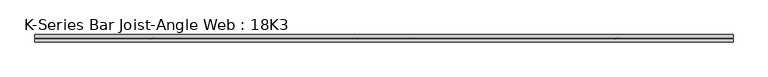
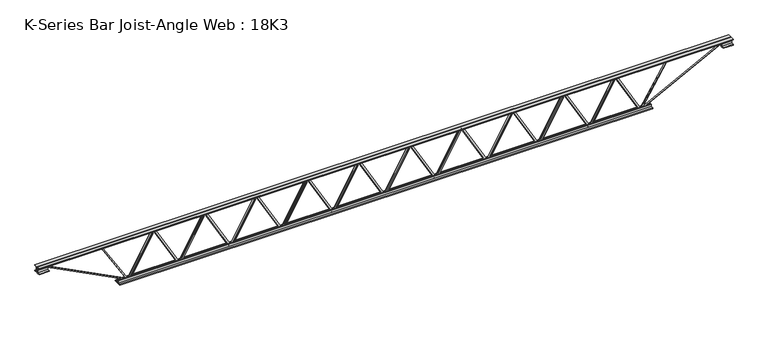
"""IFC4 building model written with IfcOpenShell, lengths in millimetres: beam geometry, K-Series Bar Joist-Angle Web : 18K3."""

from ifc_helpers import new_model, si_unit, frame, origin, place, context, project, spatial, polyline, outline, extrude, faceted_brep, source, transform, mapped, element, save


def k_series_bar_joist_angle_web_18k3_46d95f30(model_context):
    return source(origin(), model_context, "Body", "SolidModel", [
        extrude(outline(polyline([(-4.7625, 4.7625), (-4.7625, 0.0), (-17.4625, 0.0), (-17.4625, 4.7625), (-4.7625, 4.7625)])), frame((2040.8305985, 0.0, -190.5), z_axis=(-0.495588621390608, 0.0, 0.8685573776948513), x_axis=(0.0, -1.0, 0.0)), (0.0, 0.0, 1.0), 438.658412),
        extrude(outline(polyline([(-225.425, 2072.64), (-206.375, 2072.64), (-206.375, 2071.8216074), (225.425, 1825.4416074), (225.425, 1807.21), (206.375, 1807.21), (206.375, 1814.3783926), (-225.425, 2060.7583926), (-225.425, 2072.64)])), frame((0.0, 0.0, 0.0), z_axis=(0.0, 1.0, 0.0), x_axis=(0.0, 0.0, 1.0)), (0.0, 0.0, 1.0), 4.7625),
        faceted_brep([(1554.48, 0.0, -206.375), (1554.48, 0.0, -225.425), (1554.48, -4.7625, -225.425), (1554.48, -4.7625, -206.375), (1555.2983926, 0.0, -206.375), (1801.6783926, 0.0, 225.425), (1819.91, 0.0, 225.425), (1819.91, 0.0, 206.375), (1812.7416074, 0.0, 206.375), (1566.3616074, 0.0, -225.425), (1566.3616074, -4.7625, -225.425), (1586.2894015, -4.7625, -190.5), (1582.152897, -4.7625, -188.1397592), (1799.5470146, -4.7625, 192.8602408), (1803.6835191, -4.7625, 190.5), (1812.7416074, -4.7625, 206.375), (1819.91, -4.7625, 206.375), (1819.91, -4.7625, 225.425), (1801.6783926, -4.7625, 225.425), (1555.2983926, -4.7625, -206.375), (1803.6835191, -17.4625, 190.5), (1586.2894015, -17.4625, -190.5), (1582.152897, -17.4625, -188.1397592), (1799.5470146, -17.4625, 192.8602408)], [[[0, 1, 2, 3]], [[1, 0, 4, 5, 6, 7, 8, 9]], [[2, 1, 9, 10]], [[3, 2, 10, 11, 12, 13, 14, 15, 16, 17, 18, 19]], [[0, 3, 19, 4]], [[9, 8, 15, 14, 20, 21, 11, 10]], [[5, 4, 19, 18]], [[7, 6, 17, 16]], [[8, 7, 16, 15]], [[6, 5, 18, 17]], [[21, 22, 12, 11]], [[20, 14, 13, 23]], [[22, 21, 20, 23]], [[12, 22, 23, 13]]]),
        extrude(outline(polyline([(-4.7625, 4.7625), (-4.7625, 0.0), (-17.4625, 0.0), (-17.4625, 4.7625), (-4.7625, 4.7625)])), frame((1522.6705985, 0.0, -190.5), z_axis=(-0.495588621390608, 0.0, 0.8685573776948513), x_axis=(0.0, -1.0, 0.0)), (0.0, 0.0, 1.0), 438.658412),
        extrude(outline(polyline([(-225.425, 1554.48), (-206.375, 1554.48), (-206.375, 1553.6616074), (225.425, 1307.2816074), (225.425, 1289.05), (206.375, 1289.05), (206.375, 1296.2183926), (-225.425, 1542.5983926), (-225.425, 1554.48)])), frame((0.0, 0.0, 0.0), z_axis=(0.0, 1.0, 0.0), x_axis=(0.0, 0.0, 1.0)), (0.0, 0.0, 1.0), 4.7625),
        faceted_brep([(1036.32, 0.0, -206.375), (1036.32, 0.0, -225.425), (1036.32, -4.7625, -225.425), (1036.32, -4.7625, -206.375), (1037.1383926, 0.0, -206.375), (1283.5183926, 0.0, 225.425), (1301.75, 0.0, 225.425), (1301.75, 0.0, 206.375), (1294.5816074, 0.0, 206.375), (1048.2016074, 0.0, -225.425), (1048.2016074, -4.7625, -225.425), (1068.1294015, -4.7625, -190.5), (1063.992897, -4.7625, -188.1397592), (1281.3870146, -4.7625, 192.8602408), (1285.5235191, -4.7625, 190.5), (1294.5816074, -4.7625, 206.375), (1301.75, -4.7625, 206.375), (1301.75, -4.7625, 225.425), (1283.5183926, -4.7625, 225.425), (1037.1383926, -4.7625, -206.375), (1285.5235191, -17.4625, 190.5), (1068.1294015, -17.4625, -190.5), (1063.992897, -17.4625, -188.1397592), (1281.3870146, -17.4625, 192.8602408)], [[[0, 1, 2, 3]], [[1, 0, 4, 5, 6, 7, 8, 9]], [[2, 1, 9, 10]], [[3, 2, 10, 11, 12, 13, 14, 15, 16, 17, 18, 19]], [[0, 3, 19, 4]], [[9, 8, 15, 14, 20, 21, 11, 10]], [[5, 4, 19, 18]], [[7, 6, 17, 16]], [[8, 7, 16, 15]], [[6, 5, 18, 17]], [[21, 22, 12, 11]], [[20, 14, 13, 23]], [[22, 21, 20, 23]], [[12, 22, 23, 13]]]),
        extrude(outline(polyline([(-4.7625, 4.7625), (-4.7625, 0.0), (-17.4625, 0.0), (-17.4625, 4.7625), (-4.7625, 4.7625)])), frame((1004.5105985, 0.0, -190.5), z_axis=(-0.495588621390608, 0.0, 0.8685573776948513), x_axis=(0.0, -1.0, 0.0)), (0.0, 0.0, 1.0), 438.658412),
        extrude(outline(polyline([(-225.425, 1036.32), (-206.375, 1036.32), (-206.375, 1035.5016074), (225.425, 789.1216074), (225.425, 770.89), (206.375, 770.89), (206.375, 778.0583926), (-225.425, 1024.4383926), (-225.425, 1036.32)])), frame((0.0, 0.0, 0.0), z_axis=(0.0, 1.0, 0.0), x_axis=(0.0, 0.0, 1.0)), (0.0, 0.0, 1.0), 4.7625),
        faceted_brep([(518.16, 0.0, -206.375), (518.16, 0.0, -225.425), (518.16, -4.7625, -225.425), (518.16, -4.7625, -206.375), (518.9783926, 0.0, -206.375), (765.3583926, 0.0, 225.425), (783.59, 0.0, 225.425), (783.59, 0.0, 206.375), (776.4216074, 0.0, 206.375), (530.0416074, 0.0, -225.425), (530.0416074, -4.7625, -225.425), (549.9694015, -4.7625, -190.5), (545.832897, -4.7625, -188.1397592), (763.2270146, -4.7625, 192.8602408), (767.3635191, -4.7625, 190.5), (776.4216074, -4.7625, 206.375), (783.59, -4.7625, 206.375), (783.59, -4.7625, 225.425), (765.3583926, -4.7625, 225.425), (518.9783926, -4.7625, -206.375), (767.3635191, -17.4625, 190.5), (549.9694015, -17.4625, -190.5), (545.832897, -17.4625, -188.1397592), (763.2270146, -17.4625, 192.8602408)], [[[0, 1, 2, 3]], [[1, 0, 4, 5, 6, 7, 8, 9]], [[2, 1, 9, 10]], [[3, 2, 10, 11, 12, 13, 14, 15, 16, 17, 18, 19]], [[0, 3, 19, 4]], [[9, 8, 15, 14, 20, 21, 11, 10]], [[5, 4, 19, 18]], [[7, 6, 17, 16]], [[8, 7, 16, 15]], [[6, 5, 18, 17]], [[21, 22, 12, 11]], [[20, 14, 13, 23]], [[22, 21, 20, 23]], [[12, 22, 23, 13]]]),
        extrude(outline(polyline([(-4.7625, 4.7625), (-4.7625, 0.0), (-17.4625, 0.0), (-17.4625, 4.7625), (-4.7625, 4.7625)])), frame((486.3505985, 0.0, -190.5), z_axis=(-0.495588621390608, 0.0, 0.8685573776948513), x_axis=(0.0, -1.0, 0.0)), (0.0, 0.0, 1.0), 438.658412),
        extrude(outline(polyline([(-225.425, 518.16), (-206.375, 518.16), (-206.375, 517.3416074), (225.425, 270.9616074), (225.425, 252.73), (206.375, 252.73), (206.375, 259.8983926), (-225.425, 506.2783926), (-225.425, 518.16)])), frame((0.0, 0.0, 0.0), z_axis=(0.0, 1.0, 0.0), x_axis=(0.0, 0.0, 1.0)), (0.0, 0.0, 1.0), 4.7625),
        faceted_brep([(0.0, 0.0, -206.375), (0.0, 0.0, -225.425), (0.0, -4.7625, -225.425), (0.0, -4.7625, -206.375), (0.8183926, 0.0, -206.375), (247.1983926, 0.0, 225.425), (265.43, 0.0, 225.425), (265.43, 0.0, 206.375), (258.2616074, 0.0, 206.375), (11.8816074, 0.0, -225.425), (11.8816074, -4.7625, -225.425), (31.8094015, -4.7625, -190.5), (27.672897, -4.7625, -188.1397592), (245.0670146, -4.7625, 192.8602408), (249.2035191, -4.7625, 190.5), (258.2616074, -4.7625, 206.375), (265.43, -4.7625, 206.375), (265.43, -4.7625, 225.425), (247.1983926, -4.7625, 225.425), (0.8183926, -4.7625, -206.375), (249.2035191, -17.4625, 190.5), (31.8094015, -17.4625, -190.5), (27.672897, -17.4625, -188.1397592), (245.0670146, -17.4625, 192.8602408)], [[[0, 1, 2, 3]], [[1, 0, 4, 5, 6, 7, 8, 9]], [[2, 1, 9, 10]], [[3, 2, 10, 11, 12, 13, 14, 15, 16, 17, 18, 19]], [[0, 3, 19, 4]], [[9, 8, 15, 14, 20, 21, 11, 10]], [[5, 4, 19, 18]], [[7, 6, 17, 16]], [[8, 7, 16, 15]], [[6, 5, 18, 17]], [[21, 22, 12, 11]], [[20, 14, 13, 23]], [[22, 21, 20, 23]], [[12, 22, 23, 13]]]),
        extrude(outline(polyline([(-4.7625, 4.7625), (-4.7625, 0.0), (-17.4625, 0.0), (-17.4625, 4.7625), (-4.7625, 4.7625)])), frame((-31.8094015, 0.0, -190.5), z_axis=(-0.495588621390608, 0.0, 0.8685573776948513), x_axis=(0.0, -1.0, 0.0)), (0.0, 0.0, 1.0), 438.658412),
        extrude(outline(polyline([(-225.425, 0.0), (-206.375, 0.0), (-206.375, -0.8183926), (225.425, -247.1983926), (225.425, -265.43), (206.375, -265.43), (206.375, -258.2616074), (-225.425, -11.8816074), (-225.425, 0.0)])), frame((0.0, 0.0, 0.0), z_axis=(0.0, 1.0, 0.0), x_axis=(0.0, 0.0, 1.0)), (0.0, 0.0, 1.0), 4.7625),
        faceted_brep([(-518.16, 0.0, -206.375), (-518.16, 0.0, -225.425), (-518.16, -4.7625, -225.425), (-518.16, -4.7625, -206.375), (-517.3416074, 0.0, -206.375), (-270.9616074, 0.0, 225.425), (-252.73, 0.0, 225.425), (-252.73, 0.0, 206.375), (-259.8983926, 0.0, 206.375), (-506.2783926, 0.0, -225.425), (-506.2783926, -4.7625, -225.425), (-486.3505985, -4.7625, -190.5), (-490.487103, -4.7625, -188.1397592), (-273.0929854, -4.7625, 192.8602408), (-268.9564809, -4.7625, 190.5), (-259.8983926, -4.7625, 206.375), (-252.73, -4.7625, 206.375), (-252.73, -4.7625, 225.425), (-270.9616074, -4.7625, 225.425), (-517.3416074, -4.7625, -206.375), (-268.9564809, -17.4625, 190.5), (-486.3505985, -17.4625, -190.5), (-490.487103, -17.4625, -188.1397592), (-273.0929854, -17.4625, 192.8602408)], [[[0, 1, 2, 3]], [[1, 0, 4, 5, 6, 7, 8, 9]], [[2, 1, 9, 10]], [[3, 2, 10, 11, 12, 13, 14, 15, 16, 17, 18, 19]], [[0, 3, 19, 4]], [[9, 8, 15, 14, 20, 21, 11, 10]], [[5, 4, 19, 18]], [[7, 6, 17, 16]], [[8, 7, 16, 15]], [[6, 5, 18, 17]], [[21, 22, 12, 11]], [[20, 14, 13, 23]], [[22, 21, 20, 23]], [[12, 22, 23, 13]]]),
        extrude(outline(polyline([(-4.7625, 4.7625), (-4.7625, 0.0), (-17.4625, 0.0), (-17.4625, 4.7625), (-4.7625, 4.7625)])), frame((-549.9694015, 0.0, -190.5), z_axis=(-0.495588621390608, 0.0, 0.8685573776948513), x_axis=(0.0, -1.0, 0.0)), (0.0, 0.0, 1.0), 438.658412),
        extrude(outline(polyline([(-225.425, -518.16), (-206.375, -518.16), (-206.375, -518.9783926), (225.425, -765.3583926), (225.425, -783.59), (206.375, -783.59), (206.375, -776.4216074), (-225.425, -530.0416074), (-225.425, -518.16)])), frame((0.0, 0.0, 0.0), z_axis=(0.0, 1.0, 0.0), x_axis=(0.0, 0.0, 1.0)), (0.0, 0.0, 1.0), 4.7625),
        faceted_brep([(-1036.32, 0.0, -206.375), (-1036.32, 0.0, -225.425), (-1036.32, -4.7625, -225.425), (-1036.32, -4.7625, -206.375), (-1035.5016074, 0.0, -206.375), (-789.1216074, 0.0, 225.425), (-770.89, 0.0, 225.425), (-770.89, 0.0, 206.375), (-778.0583926, 0.0, 206.375), (-1024.4383926, 0.0, -225.425), (-1024.4383926, -4.7625, -225.425), (-1004.5105985, -4.7625, -190.5), (-1008.647103, -4.7625, -188.1397592), (-791.2529854, -4.7625, 192.8602408), (-787.1164809, -4.7625, 190.5), (-778.0583926, -4.7625, 206.375), (-770.89, -4.7625, 206.375), (-770.89, -4.7625, 225.425), (-789.1216074, -4.7625, 225.425), (-1035.5016074, -4.7625, -206.375), (-787.1164809, -17.4625, 190.5), (-1004.5105985, -17.4625, -190.5), (-1008.647103, -17.4625, -188.1397592), (-791.2529854, -17.4625, 192.8602408)], [[[0, 1, 2, 3]], [[1, 0, 4, 5, 6, 7, 8, 9]], [[2, 1, 9, 10]], [[3, 2, 10, 11, 12, 13, 14, 15, 16, 17, 18, 19]], [[0, 3, 19, 4]], [[9, 8, 15, 14, 20, 21, 11, 10]], [[5, 4, 19, 18]], [[7, 6, 17, 16]], [[8, 7, 16, 15]], [[6, 5, 18, 17]], [[21, 22, 12, 11]], [[20, 14, 13, 23]], [[22, 21, 20, 23]], [[12, 22, 23, 13]]]),
        extrude(outline(polyline([(-4.7625, 4.7625), (-4.7625, 0.0), (-17.4625, 0.0), (-17.4625, 4.7625), (-4.7625, 4.7625)])), frame((-1068.1294015, 0.0, -190.5), z_axis=(-0.495588621390608, 0.0, 0.8685573776948513), x_axis=(0.0, -1.0, 0.0)), (0.0, 0.0, 1.0), 438.658412),
        extrude(outline(polyline([(-225.425, -1036.32), (-206.375, -1036.32), (-206.375, -1037.1383926), (225.425, -1283.5183926), (225.425, -1301.75), (206.375, -1301.75), (206.375, -1294.5816074), (-225.425, -1048.2016074), (-225.425, -1036.32)])), frame((0.0, 0.0, 0.0), z_axis=(0.0, 1.0, 0.0), x_axis=(0.0, 0.0, 1.0)), (0.0, 0.0, 1.0), 4.7625),
        faceted_brep([(-1554.48, 0.0, -206.375), (-1554.48, 0.0, -225.425), (-1554.48, -4.7625, -225.425), (-1554.48, -4.7625, -206.375), (-1553.6616074, 0.0, -206.375), (-1307.2816074, 0.0, 225.425), (-1289.05, 0.0, 225.425), (-1289.05, 0.0, 206.375), (-1296.2183926, 0.0, 206.375), (-1542.5983926, 0.0, -225.425), (-1542.5983926, -4.7625, -225.425), (-1522.6705985, -4.7625, -190.5), (-1526.807103, -4.7625, -188.1397592), (-1309.4129854, -4.7625, 192.8602408), (-1305.2764809, -4.7625, 190.5), (-1296.2183926, -4.7625, 206.375), (-1289.05, -4.7625, 206.375), (-1289.05, -4.7625, 225.425), (-1307.2816074, -4.7625, 225.425), (-1553.6616074, -4.7625, -206.375), (-1305.2764809, -17.4625, 190.5), (-1522.6705985, -17.4625, -190.5), (-1526.807103, -17.4625, -188.1397592), (-1309.4129854, -17.4625, 192.8602408)], [[[0, 1, 2, 3]], [[1, 0, 4, 5, 6, 7, 8, 9]], [[2, 1, 9, 10]], [[3, 2, 10, 11, 12, 13, 14, 15, 16, 17, 18, 19]], [[0, 3, 19, 4]], [[9, 8, 15, 14, 20, 21, 11, 10]], [[5, 4, 19, 18]], [[7, 6, 17, 16]], [[8, 7, 16, 15]], [[6, 5, 18, 17]], [[21, 22, 12, 11]], [[20, 14, 13, 23]], [[22, 21, 20, 23]], [[12, 22, 23, 13]]]),
        extrude(outline(polyline([(-4.7625, 4.7625), (-4.7625, 0.0), (-17.4625, 0.0), (-17.4625, 4.7625), (-4.7625, 4.7625)])), frame((-1586.2894015, 0.0, -190.5), z_axis=(-0.495588621390608, 0.0, 0.8685573776948513), x_axis=(0.0, -1.0, 0.0)), (0.0, 0.0, 1.0), 438.658412),
        extrude(outline(polyline([(-225.425, -1554.48), (-206.375, -1554.48), (-206.375, -1555.2983926), (225.425, -1801.6783926), (225.425, -1819.91), (206.375, -1819.91), (206.375, -1812.7416074), (-225.425, -1566.3616074), (-225.425, -1554.48)])), frame((0.0, 0.0, 0.0), z_axis=(0.0, 1.0, 0.0), x_axis=(0.0, 0.0, 1.0)), (0.0, 0.0, 1.0), 4.7625),
        faceted_brep([(-2072.64, 0.0, -206.375), (-2072.64, 0.0, -225.425), (-2072.64, -4.7625, -225.425), (-2072.64, -4.7625, -206.375), (-2071.8216074, 0.0, -206.375), (-1825.4416074, 0.0, 225.425), (-1807.21, 0.0, 225.425), (-1807.21, 0.0, 206.375), (-1814.3783926, 0.0, 206.375), (-2060.7583926, 0.0, -225.425), (-2060.7583926, -4.7625, -225.425), (-2040.8305985, -4.7625, -190.5), (-2044.967103, -4.7625, -188.1397592), (-1827.5729854, -4.7625, 192.8602408), (-1823.4364809, -4.7625, 190.5), (-1814.3783926, -4.7625, 206.375), (-1807.21, -4.7625, 206.375), (-1807.21, -4.7625, 225.425), (-1825.4416074, -4.7625, 225.425), (-2071.8216074, -4.7625, -206.375), (-1823.4364809, -17.4625, 190.5), (-2040.8305985, -17.4625, -190.5), (-2044.967103, -17.4625, -188.1397592), (-1827.5729854, -17.4625, 192.8602408)], [[[0, 1, 2, 3]], [[1, 0, 4, 5, 6, 7, 8, 9]], [[2, 1, 9, 10]], [[3, 2, 10, 11, 12, 13, 14, 15, 16, 17, 18, 19]], [[0, 3, 19, 4]], [[9, 8, 15, 14, 20, 21, 11, 10]], [[5, 4, 19, 18]], [[7, 6, 17, 16]], [[8, 7, 16, 15]], [[6, 5, 18, 17]], [[21, 22, 12, 11]], [[20, 14, 13, 23]], [[22, 21, 20, 23]], [[12, 22, 23, 13]]]),
        extrude(outline(polyline([(-4.7625, 4.7625), (-4.7625, 0.0), (-17.4625, 0.0), (-17.4625, 4.7625), (-4.7625, 4.7625)])), frame((2558.9905985, 0.0, -190.5), z_axis=(-0.495588621390608, 0.0, 0.8685573776948513), x_axis=(0.0, -1.0, 0.0)), (0.0, 0.0, 1.0), 438.658412),
        extrude(outline(polyline([(-225.425, 2590.8), (-206.375, 2590.8), (-206.375, 2589.9816074), (225.425, 2343.6016074), (225.425, 2325.37), (206.375, 2325.37), (206.375, 2332.5383926), (-225.425, 2578.9183926), (-225.425, 2590.8)])), frame((0.0, 0.0, 0.0), z_axis=(0.0, 1.0, 0.0), x_axis=(0.0, 0.0, 1.0)), (0.0, 0.0, 1.0), 4.7625),
        faceted_brep([(2072.64, 0.0, -206.375), (2072.64, 0.0, -225.425), (2072.64, -4.7625, -225.425), (2072.64, -4.7625, -206.375), (2073.4583926, 0.0, -206.375), (2319.8383926, 0.0, 225.425), (2338.07, 0.0, 225.425), (2338.07, 0.0, 206.375), (2330.9016074, 0.0, 206.375), (2084.5216074, 0.0, -225.425), (2084.5216074, -4.7625, -225.425), (2104.4494015, -4.7625, -190.5), (2100.312897, -4.7625, -188.1397592), (2317.7070146, -4.7625, 192.8602408), (2321.8435191, -4.7625, 190.5), (2330.9016074, -4.7625, 206.375), (2338.07, -4.7625, 206.375), (2338.07, -4.7625, 225.425), (2319.8383926, -4.7625, 225.425), (2073.4583926, -4.7625, -206.375), (2321.8435191, -17.4625, 190.5), (2104.4494015, -17.4625, -190.5), (2100.312897, -17.4625, -188.1397592), (2317.7070146, -17.4625, 192.8602408)], [[[0, 1, 2, 3]], [[1, 0, 4, 5, 6, 7, 8, 9]], [[2, 1, 9, 10]], [[3, 2, 10, 11, 12, 13, 14, 15, 16, 17, 18, 19]], [[0, 3, 19, 4]], [[9, 8, 15, 14, 20, 21, 11, 10]], [[5, 4, 19, 18]], [[7, 6, 17, 16]], [[8, 7, 16, 15]], [[6, 5, 18, 17]], [[21, 22, 12, 11]], [[20, 14, 13, 23]], [[22, 21, 20, 23]], [[12, 22, 23, 13]]]),
        extrude(outline(polyline([(-4.7625, 4.7625), (-4.7625, 0.0), (-17.4625, 0.0), (-17.4625, 4.7625), (-4.7625, 4.7625)])), frame((-2104.4494015, 0.0, -190.5), z_axis=(-0.495588621390608, 0.0, 0.8685573776948513), x_axis=(0.0, -1.0, 0.0)), (0.0, 0.0, 1.0), 438.658412),
        extrude(outline(polyline([(-225.425, -2072.64), (-206.375, -2072.64), (-206.375, -2073.4583926), (225.425, -2319.8383926), (225.425, -2338.07), (206.375, -2338.07), (206.375, -2330.9016074), (-225.425, -2084.5216074), (-225.425, -2072.64)])), frame((0.0, 0.0, 0.0), z_axis=(0.0, 1.0, 0.0), x_axis=(0.0, 0.0, 1.0)), (0.0, 0.0, 1.0), 4.7625),
        faceted_brep([(-2590.8, 0.0, -206.375), (-2590.8, 0.0, -225.425), (-2590.8, -4.7625, -225.425), (-2590.8, -4.7625, -206.375), (-2589.9816074, 0.0, -206.375), (-2343.6016074, 0.0, 225.425), (-2325.37, 0.0, 225.425), (-2325.37, 0.0, 206.375), (-2332.5383926, 0.0, 206.375), (-2578.9183926, 0.0, -225.425), (-2578.9183926, -4.7625, -225.425), (-2558.9905985, -4.7625, -190.5), (-2563.127103, -4.7625, -188.1397592), (-2345.7329854, -4.7625, 192.8602408), (-2341.5964809, -4.7625, 190.5), (-2332.5383926, -4.7625, 206.375), (-2325.37, -4.7625, 206.375), (-2325.37, -4.7625, 225.425), (-2343.6016074, -4.7625, 225.425), (-2589.9816074, -4.7625, -206.375), (-2341.5964809, -17.4625, 190.5), (-2558.9905985, -17.4625, -190.5), (-2563.127103, -17.4625, -188.1397592), (-2345.7329854, -17.4625, 192.8602408)], [[[0, 1, 2, 3]], [[1, 0, 4, 5, 6, 7, 8, 9]], [[2, 1, 9, 10]], [[3, 2, 10, 11, 12, 13, 14, 15, 16, 17, 18, 19]], [[0, 3, 19, 4]], [[9, 8, 15, 14, 20, 21, 11, 10]], [[5, 4, 19, 18]], [[7, 6, 17, 16]], [[8, 7, 16, 15]], [[6, 5, 18, 17]], [[21, 22, 12, 11]], [[20, 14, 13, 23]], [[22, 21, 20, 23]], [[12, 22, 23, 13]]]),
        extrude(outline(polyline([(4.7625, 228.6), (36.5125, 228.6), (36.5125, 222.25), (11.1125, 222.25), (11.1125, 196.85), (4.7625, 196.85), (4.7625, 228.6)])), frame((-3505.2, 0.0, 0.0), z_axis=(1.0, 0.0, 0.0), x_axis=(0.0, 1.0, 0.0)), (0.0, 0.0, 1.0), 7010.4),
        extrude(outline(polyline([(-4.7625, 228.6), (-4.7625, 196.85), (-11.1125, 196.85), (-11.1125, 222.25), (-36.5125, 222.25), (-36.5125, 228.6), (-4.7625, 228.6)])), frame((-3505.2, 0.0, 0.0), z_axis=(1.0, 0.0, 0.0), x_axis=(0.0, 1.0, 0.0)), (0.0, 0.0, 1.0), 7010.4),
        extrude(outline(polyline([(-4.7625, 165.1), (-36.5125, 165.1), (-36.5125, 171.45), (-11.1125, 171.45), (-11.1125, 196.85), (-4.7625, 196.85), (-4.7625, 165.1)])), frame((-3505.2, 0.0, 0.0), z_axis=(1.0, 0.0, 0.0), x_axis=(0.0, 1.0, 0.0)), (0.0, 0.0, 1.0), 101.6),
        extrude(outline(polyline([(36.5125, 165.1), (4.7625, 165.1), (4.7625, 196.85), (11.1125, 196.85), (11.1125, 171.45), (36.5125, 171.45), (36.5125, 165.1)])), frame((-3505.2, 0.0, 0.0), z_axis=(1.0, 0.0, 0.0), x_axis=(0.0, 1.0, 0.0)), (0.0, 0.0, 1.0), 101.6),
        extrude(outline(polyline([(4.7625, 165.1), (4.7625, 196.85), (11.1125, 196.85), (11.1125, 171.45), (36.5125, 171.45), (36.5125, 165.1), (4.7625, 165.1)])), frame((3403.6, 0.0, 0.0), z_axis=(1.0, 0.0, 0.0), x_axis=(0.0, 1.0, 0.0)), (0.0, 0.0, 1.0), 101.6),
        extrude(outline(polyline([(-4.7625, 165.1), (-36.5125, 165.1), (-36.5125, 171.45), (-11.1125, 171.45), (-11.1125, 196.85), (-4.7625, 196.85), (-4.7625, 165.1)])), frame((3403.6, 0.0, 0.0), z_axis=(1.0, 0.0, 0.0), x_axis=(0.0, 1.0, 0.0)), (0.0, 0.0, 1.0), 101.6),
        extrude(outline(polyline([(4.7625, -228.6), (4.7625, -196.85), (11.1125, -196.85), (11.1125, -222.25), (36.5125, -222.25), (36.5125, -228.6), (4.7625, -228.6)])), frame((-2692.4, 0.0, 0.0), z_axis=(1.0, 0.0, 0.0), x_axis=(0.0, 1.0, 0.0)), (0.0, 0.0, 1.0), 5384.8),
        extrude(outline(polyline([(-4.7625, -228.6), (-36.5125, -228.6), (-36.5125, -222.25), (-11.1125, -222.25), (-11.1125, -196.85), (-4.7625, -196.85), (-4.7625, -228.6)])), frame((-2692.4, 0.0, 0.0), z_axis=(1.0, 0.0, 0.0), x_axis=(0.0, 1.0, 0.0)), (0.0, 0.0, 1.0), 5384.8),
        extrude(outline(polyline([(4.7625, 4.7624999), (4.7625, -4.7624999), (-4.7625, -4.7624999), (-4.7625, 4.7624999), (4.7625, 4.7624999)])), frame((2590.8, 0.0, -222.25), z_axis=(0.5258220975379689, 0.0, 0.8505945695457799), x_axis=(0.0, -1.0, 0.0)), (0.0, 0.0, 1.0), 492.7141731),
        extrude(outline(polyline([(4.7625, 4.7624999), (4.7625, -4.7624999), (-4.7625, -4.7624999), (-4.7625, 4.7624999), (4.7625, 4.7624999)])), frame((-2590.8, 0.0, -222.25), z_axis=(-0.525822097537942, 0.0, 0.8505945695457967), x_axis=(0.0, -1.0, 0.0)), (0.0, 0.0, 1.0), 492.7141731),
        extrude(outline(polyline([(0.0, -9.525), (0.0, 0.0), (914.4881902, 0.0), (914.4881902, -9.525), (0.0, -9.525)])), frame((3405.782602, -4.7625, 192.6170749), z_axis=(-0.458289133194621, 0.0, 0.8888031674086918), x_axis=(-0.8888031674086918, 0.0, -0.458289133194621)), (0.0, 0.0, 1.0), 9.525),
        extrude(outline(polyline([(0.0, -9.525), (0.0, 0.0), (914.4881902, 0.0), (914.4881902, -9.525), (0.0, -9.525)])), frame((-3405.782602, 4.7625, 192.6170749), z_axis=(0.45828913319461984, 0.0, 0.8888031674086924), x_axis=(0.8888031674086924, 0.0, -0.45828913319461984)), (0.0, 0.0, 1.0), 9.525),
    ])


if __name__ == "__main__":
    model = new_model("IFC4")
    model_context = context("Model", 3, world=origin())
    ifc_project = project(units=[si_unit("LENGTHUNIT", "METRE", prefix="MILLI")], contexts=[model_context])
    site = spatial("IfcSite", under=ifc_project)
    building = spatial("IfcBuilding", under=site)
    placement = place(None, origin())
    k_series_bar_joist_angle_web_18k3_shape = k_series_bar_joist_angle_web_18k3_46d95f30(model_context)
    element("IfcBeam", 1, ObjectType="K-Series Bar Joist-Angle Web : 18K3", at=placement, inside=building, context=model_context, shape_type="MappedRepresentation", body=[
        mapped(k_series_bar_joist_angle_web_18k3_shape, transform((0.0, 0.0, 0.0), x_axis=(1.0, 0.0, 0.0), y_axis=(0.0, 1.0, 0.0), z_axis=(0.0, 0.0, 1.0))),
    ])
    save(model, "model.ifc")
